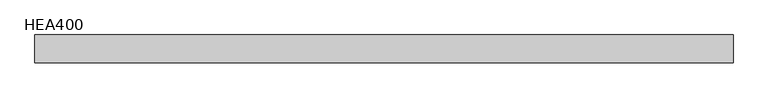
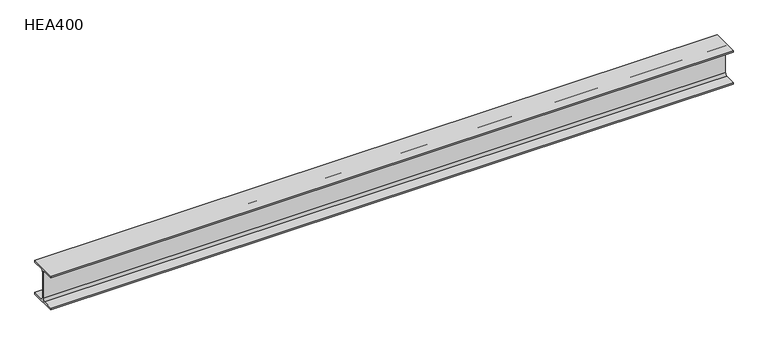
"""IFC4 building model written with IfcOpenShell, lengths in millimetres: beam geometry, HEA400."""

from ifc_helpers import new_model, si_unit, point, frame, frame_2d, origin, place, context, project, spatial, polyline, circle_curve, trimmed, segment, composite_curve, outline, extrude, source, transform, mapped, element, save


def hea400_d6eb3b18(model_context):
    return source(origin(), model_context, "Body", "SweptSolid", [
        extrude(outline(composite_curve([segment(polyline([(-150.0, -176.0), (-32.5, -176.0)]), True, "CONTINUOUS"), segment(trimmed(circle_curve(frame_2d((-32.5, -149.0)), 27.0), [point((-32.5, -176.0))], [point((-5.5, -149.0))], True, "CARTESIAN"), True, "CONTINUOUS"), segment(polyline([(-5.5, -149.0), (-5.5, 149.0)]), True, "CONTINUOUS"), segment(trimmed(circle_curve(frame_2d((-32.5, 149.0)), 27.0), [point((-5.5, 149.0))], [point((-32.5, 176.0))], True, "CARTESIAN"), True, "CONTINUOUS"), segment(polyline([(-32.5, 176.0), (-150.0, 176.0), (-150.0, 195.0), (150.0, 195.0), (150.0, 176.0), (32.5, 176.0)]), True, "CONTINUOUS"), segment(trimmed(circle_curve(frame_2d((32.5, 149.0)), 27.0), [point((32.5, 176.0))], [point((5.5, 149.0))], True, "CARTESIAN"), True, "CONTINUOUS"), segment(polyline([(5.5, 149.0), (5.5, -149.0)]), True, "CONTINUOUS"), segment(trimmed(circle_curve(frame_2d((32.5, -149.0)), 27.0), [point((5.5, -149.0))], [point((32.5, -176.0))], True, "CARTESIAN"), True, "CONTINUOUS"), segment(polyline([(32.5, -176.0), (150.0, -176.0), (150.0, -195.0), (-150.0, -195.0), (-150.0, -176.0)]), True, "CONTINUOUS")], self_intersect=False)), frame((-3742.3, 0.0, 0.0), z_axis=(1.0, 0.0, 0.0), x_axis=(0.0, 1.0, 0.0)), (0.0, 0.0, 1.0), 7484.6),
    ])


if __name__ == "__main__":
    model = new_model("IFC4")
    model_context = context("Model", 3, world=origin())
    ifc_project = project(units=[si_unit("LENGTHUNIT", "METRE", prefix="MILLI")], contexts=[model_context])
    site = spatial("IfcSite", under=ifc_project)
    building = spatial("IfcBuilding", under=site)
    placement = place(None, origin())
    hea400_shape = hea400_d6eb3b18(model_context)
    element("IfcBeam", 1, ObjectType="HEA400", at=placement, inside=building, context=model_context, shape_type="MappedRepresentation", body=[
        mapped(hea400_shape, transform((0.0, 0.0, 0.0), x_axis=(1.0, 0.0, 0.0), y_axis=(0.0, 1.0, 0.0), z_axis=(0.0, 0.0, 1.0))),
    ])
    save(model, "model.ifc")
